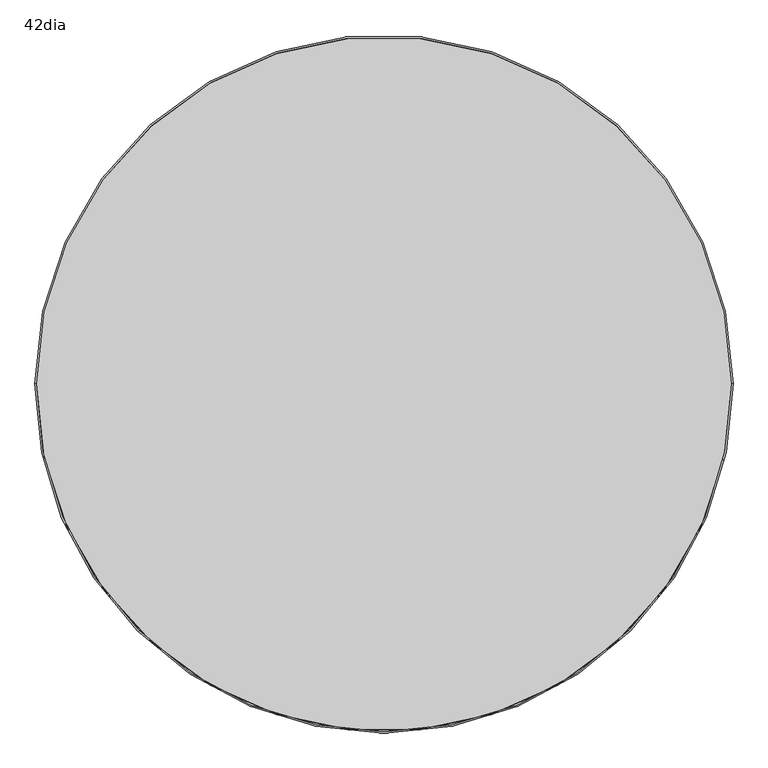
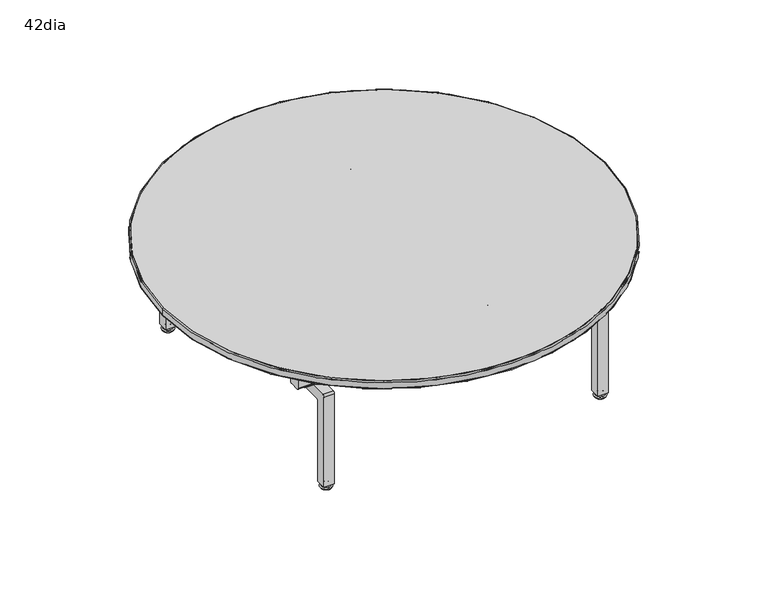
"""IFC4 building model written with IfcOpenShell, lengths in millimetres: furniture geometry, 42dia."""

from ifc_helpers import new_model, si_unit, point, frame, frame_2d, origin, place, context, project, spatial, polyline, circle_curve, ellipse_curve, trimmed, segment, composite_curve, outline, extrude, source, transform, mapped, element, save
from ifc_brep_helpers import plane_surface, cylinder_surface, revolved_surface, advanced_brep


def furniture_42dia_0378746d(model_context):
    return source(origin(), model_context, "Body", "SolidModel", [
        advanced_brep(
        [(863.5994857, -863.5673643, 14.8752118), (863.5994857, -866.8790699, 14.8752118), (863.5994857, -860.2556587, 14.8752118), (863.5994857, -867.4660076, 13.858606), (863.5994857, -859.6687211, 13.858606), (863.5994857, -871.4979813, 11.2402116), (863.5994857, -855.6367474, 11.2402116), (863.5994857, -871.4979813, 8.74896), (863.5994857, -855.6367474, 8.74896), (863.5994857, -869.9163121, 8.74896), (863.5994857, -857.2184165, 8.74896), (863.5994857, -874.7759312, 5.9432577), (863.5994857, -852.3587975, 5.9432577), (863.5994857, -877.9665869, 3.5556814), (863.5994857, -849.1681417, 3.5556814), (863.5994857, -875.9136957, 0.0), (863.5994857, -851.221033, 0.0), (863.5994857, -863.5673643, 0.0)],
        [
            (0, 1),
            (1, 2, circle_curve(frame((863.5994857, -863.5673643, 14.8752118), z_axis=(0.0, 0.0, 1.0), x_axis=(0.0, -1.0, 0.0)), 3.3117056)),
            (2, 0),
            (2, 1, circle_curve(frame((863.5994857, -863.5673643, 14.8752118), z_axis=(0.0, 0.0, 1.0), x_axis=(0.0, -1.0, 0.0)), 3.3117056)),
            (1, 3),
            (3, 4, circle_curve(frame((863.5994857, -863.5673643, 13.858606), z_axis=(0.0, 0.0, 1.0), x_axis=(0.0, -1.0, 0.0)), 3.8986433)),
            (4, 2),
            (4, 3, circle_curve(frame((863.5994857, -863.5673643, 13.858606), z_axis=(0.0, 0.0, 1.0), x_axis=(0.0, -1.0, 0.0)), 3.8986433)),
            (3, 5),
            (5, 6, circle_curve(frame((863.5994857, -863.5673643, 11.2402116), z_axis=(0.0, 0.0, 1.0), x_axis=(0.0, -1.0, 0.0)), 7.930617)),
            (6, 4),
            (6, 5, circle_curve(frame((863.5994857, -863.5673643, 11.2402116), z_axis=(0.0, 0.0, 1.0), x_axis=(0.0, -1.0, 0.0)), 7.930617)),
            (5, 7),
            (7, 8, circle_curve(frame((863.5994857, -863.5673643, 8.74896), z_axis=(0.0, 0.0, 1.0), x_axis=(0.0, -1.0, 0.0)), 7.930617)),
            (8, 6),
            (8, 7, circle_curve(frame((863.5994857, -863.5673643, 8.74896), z_axis=(0.0, 0.0, 1.0), x_axis=(0.0, -1.0, 0.0)), 7.930617)),
            (7, 9),
            (9, 10, circle_curve(frame((863.5994857, -863.5673643, 8.74896), z_axis=(0.0, 0.0, 1.0), x_axis=(0.0, -1.0, 0.0)), 6.3489478)),
            (10, 8),
            (10, 9, circle_curve(frame((863.5994857, -863.5673643, 8.74896), z_axis=(0.0, 0.0, 1.0), x_axis=(0.0, -1.0, 0.0)), 6.3489478)),
            (9, 11, circle_curve(frame((863.5994857, -874.4285571, 10.9529929), z_axis=(-1.0, 0.0, 0.0), x_axis=(0.0, -1.0, 0.0)), 5.0217642)),
            (11, 12, circle_curve(frame((863.5994857, -863.5673643, 5.9432577), z_axis=(0.0, 0.0, 1.0), x_axis=(0.0, -1.0, 0.0)), 11.2085669)),
            (12, 10, circle_curve(frame((863.5994857, -852.7061715, 10.9529929), z_axis=(-1.0, 0.0, 0.0), x_axis=(0.0, 1.0, 0.0)), 5.0217642)),
            (12, 11, circle_curve(frame((863.5994857, -863.5673643, 5.9432577), z_axis=(0.0, 0.0, 1.0), x_axis=(0.0, -1.0, 0.0)), 11.2085669)),
            (11, 13, circle_curve(frame((863.5994857, -874.9869794, 2.8995769), z_axis=(1.0, 0.0, 0.0), x_axis=(0.0, -1.0, 0.0)), 3.050989)),
            (13, 14, circle_curve(frame((863.5994857, -863.5673643, 3.5556814), z_axis=(0.0, 0.0, 1.0), x_axis=(0.0, -1.0, 0.0)), 14.3992226)),
            (14, 12, circle_curve(frame((863.5994857, -852.1477492, 2.8995769), z_axis=(1.0, 0.0, 0.0), x_axis=(0.0, 1.0, 0.0)), 3.050989)),
            (14, 13, circle_curve(frame((863.5994857, -863.5673643, 3.5556814), z_axis=(0.0, 0.0, 1.0), x_axis=(0.0, -1.0, 0.0)), 14.3992226)),
            (13, 15),
            (15, 16, circle_curve(frame((863.5994857, -863.5673643, 0.0), z_axis=(0.0, 0.0, 1.0), x_axis=(0.0, -1.0, 0.0)), 12.3463313)),
            (16, 14),
            (16, 15, circle_curve(frame((863.5994857, -863.5673643, 0.0), z_axis=(0.0, 0.0, 1.0), x_axis=(0.0, -1.0, 0.0)), 12.3463313)),
            (15, 17),
            (17, 16),
        ],
        [
            plane_surface(frame((863.5994857, -863.5673643, 14.8752118), z_axis=(0.0, 0.0, 1.0), x_axis=(0.0, -1.0, 0.0))),
            revolved_surface(polyline([(863.5994857, -867.4660076, 13.858606), (863.5994857, -866.8790699, 14.8752118)]), (863.5994857, -863.5673643, 0.0), (0.0, 0.0, 1.0)),
            revolved_surface(polyline([(863.5994857, -871.4979813, 11.2402116), (863.5994857, -867.4660076, 13.858606)]), (863.5994857, -863.5673643, 0.0), (0.0, 0.0, 1.0)),
            cylinder_surface(frame((863.5994857, -863.5673643, 0.0), z_axis=(0.0, 0.0, 1.0), x_axis=(0.0, -1.0, 0.0)), 7.930617),
            plane_surface(frame((863.5994857, -863.5673643, 8.74896), z_axis=(0.0, 0.0, -1.0), x_axis=(0.0, -1.0, 0.0))),
            revolved_surface(trimmed(ellipse_curve(frame((863.5994857, -874.4285571, 10.9529929), z_axis=(1.0, 0.0, 0.0), x_axis=(0.0, -1.0, 0.0)), 5.0217642, 5.0217642), [point((863.5994857, -874.7759312, 5.9432577))], [point((863.5994857, -869.9163121, 8.74896))], True, "CARTESIAN"), (863.5994857, -863.5673643, 0.0), (0.0, 0.0, 1.0)),
            revolved_surface(trimmed(ellipse_curve(frame((863.5994857, -874.9869794, 2.8995769), z_axis=(-1.0, 0.0, 0.0), x_axis=(0.0, -1.0, 0.0)), 3.050989, 3.050989), [point((863.5994857, -877.9665869, 3.5556814))], [point((863.5994857, -874.7759312, 5.9432577))], True, "CARTESIAN"), (863.5994857, -863.5673643, 0.0), (0.0, 0.0, 1.0)),
            revolved_surface(polyline([(863.5994857, -875.9136957, 0.0), (863.5994857, -877.9665869, 3.5556814)]), (863.5994857, -863.5673643, 0.0), (0.0, 0.0, 1.0)),
            plane_surface(frame((863.5994857, -863.5673643, 0.0), z_axis=(0.0, 0.0, -1.0), x_axis=(0.0, -1.0, 0.0))),
        ],
        [
            (0, [[1, 2, 3]]),
            (0, [[-3, 4, -1]]),
            (1, [[-2, 5, 6, 7]]),
            (1, [[-4, -7, 8, -5]]),
            (2, [[-6, 9, 10, 11]]),
            (2, [[-8, -11, 12, -9]]),
            (3, [[-10, 13, 14, 15]]),
            (3, [[-12, -15, 16, -13]]),
            (4, [[-14, 17, 18, 19]]),
            (4, [[-16, -19, 20, -17]]),
            (5, [[-18, 21, 22, 23]]),
            (5, [[-20, -23, 24, -21]]),
            (6, [[-22, 25, 26, 27]]),
            (6, [[-24, -27, 28, -25]]),
            (7, [[-26, 29, 30, 31]]),
            (7, [[-28, -31, 32, -29]]),
            (8, [[-30, 33, 34]]),
            (8, [[-32, -34, -33]]),
        ],
    ),
        advanced_brep(
        [(863.5994857, -206.5438035, 14.8752118), (863.5994857, -199.9203923, 14.8752118), (863.5994857, -203.2320979, 14.8752118), (863.5994857, -207.1307412, 13.858606), (863.5994857, -199.3334546, 13.858606), (863.5994857, -211.1627149, 11.2402116), (863.5994857, -195.301481, 11.2402116), (863.5994857, -211.1627149, 8.74896), (863.5994857, -195.301481, 8.74896), (863.5994857, -209.5810457, 8.74896), (863.5994857, -196.8831501, 8.74896), (863.5994857, -214.4406648, 5.9432577), (863.5994857, -192.023531, 5.9432577), (863.5994857, -217.6313205, 3.5556814), (863.5994857, -188.8328753, 3.5556814), (863.5994857, -215.5784293, 0.0), (863.5994857, -190.8857666, 0.0), (863.5994857, -203.2320979, 0.0)],
        [
            (0, 1, circle_curve(frame((863.5994857, -203.2320979, 14.8752118), z_axis=(0.0, 0.0, 1.0), x_axis=(0.0, 1.0, 0.0)), 3.3117056)),
            (1, 2),
            (2, 0),
            (1, 0, circle_curve(frame((863.5994857, -203.2320979, 14.8752118), z_axis=(0.0, 0.0, 1.0), x_axis=(0.0, 1.0, 0.0)), 3.3117056)),
            (3, 4, circle_curve(frame((863.5994857, -203.2320979, 13.858606), z_axis=(0.0, 0.0, 1.0), x_axis=(0.0, 1.0, 0.0)), 3.8986433)),
            (4, 1),
            (0, 3),
            (4, 3, circle_curve(frame((863.5994857, -203.2320979, 13.858606), z_axis=(0.0, 0.0, 1.0), x_axis=(0.0, 1.0, 0.0)), 3.8986433)),
            (5, 6, circle_curve(frame((863.5994857, -203.2320979, 11.2402116), z_axis=(0.0, 0.0, 1.0), x_axis=(0.0, 1.0, 0.0)), 7.930617)),
            (6, 4),
            (3, 5),
            (6, 5, circle_curve(frame((863.5994857, -203.2320979, 11.2402116), z_axis=(0.0, 0.0, 1.0), x_axis=(0.0, 1.0, 0.0)), 7.930617)),
            (7, 8, circle_curve(frame((863.5994857, -203.2320979, 8.74896), z_axis=(0.0, 0.0, 1.0), x_axis=(0.0, 1.0, 0.0)), 7.930617)),
            (8, 6),
            (5, 7),
            (8, 7, circle_curve(frame((863.5994857, -203.2320979, 8.74896), z_axis=(0.0, 0.0, 1.0), x_axis=(0.0, 1.0, 0.0)), 7.930617)),
            (9, 10, circle_curve(frame((863.5994857, -203.2320979, 8.74896), z_axis=(0.0, 0.0, 1.0), x_axis=(0.0, 1.0, 0.0)), 6.3489478)),
            (10, 8),
            (7, 9),
            (10, 9, circle_curve(frame((863.5994857, -203.2320979, 8.74896), z_axis=(0.0, 0.0, 1.0), x_axis=(0.0, 1.0, 0.0)), 6.3489478)),
            (11, 12, circle_curve(frame((863.5994857, -203.2320979, 5.9432577), z_axis=(0.0, 0.0, 1.0), x_axis=(0.0, 1.0, 0.0)), 11.2085669)),
            (12, 10, circle_curve(frame((863.5994857, -192.3709051, 10.9529929), z_axis=(-1.0, 0.0, 0.0), x_axis=(0.0, -1.0, 0.0)), 5.0217642)),
            (9, 11, circle_curve(frame((863.5994857, -214.0932907, 10.9529929), z_axis=(-1.0, 0.0, 0.0), x_axis=(0.0, 1.0, 0.0)), 5.0217642)),
            (12, 11, circle_curve(frame((863.5994857, -203.2320979, 5.9432577), z_axis=(0.0, 0.0, 1.0), x_axis=(0.0, 1.0, 0.0)), 11.2085669)),
            (13, 14, circle_curve(frame((863.5994857, -203.2320979, 3.5556814), z_axis=(0.0, 0.0, 1.0), x_axis=(0.0, 1.0, 0.0)), 14.3992226)),
            (14, 12, circle_curve(frame((863.5994857, -191.8124828, 2.8995769), z_axis=(1.0, 0.0, 0.0), x_axis=(0.0, -1.0, 0.0)), 3.050989)),
            (11, 13, circle_curve(frame((863.5994857, -214.651713, 2.8995769), z_axis=(1.0, 0.0, 0.0), x_axis=(0.0, 1.0, 0.0)), 3.050989)),
            (14, 13, circle_curve(frame((863.5994857, -203.2320979, 3.5556814), z_axis=(0.0, 0.0, 1.0), x_axis=(0.0, 1.0, 0.0)), 14.3992226)),
            (15, 16, circle_curve(frame((863.5994857, -203.2320979, 0.0), z_axis=(0.0, 0.0, 1.0), x_axis=(0.0, 1.0, 0.0)), 12.3463313)),
            (16, 14),
            (13, 15),
            (16, 15, circle_curve(frame((863.5994857, -203.2320979, 0.0), z_axis=(0.0, 0.0, 1.0), x_axis=(0.0, 1.0, 0.0)), 12.3463313)),
            (17, 16),
            (15, 17),
        ],
        [
            plane_surface(frame((863.5994857, -203.2320979, 14.8752118), z_axis=(0.0, 0.0, 1.0), x_axis=(0.0, 1.0, 0.0))),
            revolved_surface(polyline([(863.5994857, -199.9203923, 14.8752118), (863.5994857, -199.3334546, 13.858606)]), (863.5994857, -203.2320979, 0.0), (0.0, 0.0, -1.0)),
            revolved_surface(polyline([(863.5994857, -199.3334546, 13.858606), (863.5994857, -195.301481, 11.2402116)]), (863.5994857, -203.2320979, 0.0), (0.0, 0.0, -1.0)),
            cylinder_surface(frame((863.5994857, -203.2320979, 0.0), z_axis=(0.0, 0.0, -1.0), x_axis=(0.0, 1.0, 0.0)), 7.930617),
            plane_surface(frame((863.5994857, -203.2320979, 8.74896), z_axis=(0.0, 0.0, -1.0), x_axis=(0.0, 1.0, 0.0))),
            revolved_surface(trimmed(ellipse_curve(frame((863.5994857, -192.3709051, 10.9529929), z_axis=(1.0, 0.0, 0.0), x_axis=(0.0, -1.0, 0.0)), 5.0217642, 5.0217642), [point((863.5994857, -196.8831501, 8.74896))], [point((863.5994857, -192.023531, 5.9432577))], True, "CARTESIAN"), (863.5994857, -203.2320979, 0.0), (0.0, 0.0, -1.0)),
            revolved_surface(trimmed(ellipse_curve(frame((863.5994857, -191.8124828, 2.8995769), z_axis=(-1.0, 0.0, 0.0), x_axis=(0.0, -1.0, 0.0)), 3.050989, 3.050989), [point((863.5994857, -192.023531, 5.9432577))], [point((863.5994857, -188.8328753, 3.5556814))], True, "CARTESIAN"), (863.5994857, -203.2320979, 0.0), (0.0, 0.0, -1.0)),
            revolved_surface(polyline([(863.5994857, -188.8328753, 3.5556814), (863.5994857, -190.8857666, 0.0)]), (863.5994857, -203.2320979, 0.0), (0.0, 0.0, -1.0)),
            plane_surface(frame((863.5994857, -203.2320979, 0.0), z_axis=(0.0, 0.0, -1.0), x_axis=(0.0, 1.0, 0.0))),
        ],
        [
            (0, [[1, 2, 3]]),
            (0, [[4, -3, -2]]),
            (1, [[5, 6, -1, 7]]),
            (1, [[8, -7, -4, -6]]),
            (2, [[9, 10, -5, 11]]),
            (2, [[12, -11, -8, -10]]),
            (3, [[13, 14, -9, 15]]),
            (3, [[16, -15, -12, -14]]),
            (4, [[17, 18, -13, 19]]),
            (4, [[20, -19, -16, -18]]),
            (5, [[21, 22, -17, 23]]),
            (5, [[24, -23, -20, -22]]),
            (6, [[25, 26, -21, 27]]),
            (6, [[28, -27, -24, -26]]),
            (7, [[29, 30, -25, 31]]),
            (7, [[32, -31, -28, -30]]),
            (8, [[33, -29, 34]]),
            (8, [[-34, -32, -33]]),
        ],
    ),
        advanced_brep(
        [(203.2, -206.5438035, 14.8752118), (203.2, -199.9203923, 14.8752118), (203.2, -203.2320979, 14.8752118), (203.2, -207.1307412, 13.858606), (203.2, -199.3334546, 13.858606), (203.2, -211.1627149, 11.2402116), (203.2, -195.301481, 11.2402116), (203.2, -211.1627149, 8.74896), (203.2, -195.301481, 8.74896), (203.2, -209.5810457, 8.74896), (203.2, -196.8831501, 8.74896), (203.2, -214.4406648, 5.9432577), (203.2, -192.023531, 5.9432577), (203.2, -217.6313205, 3.5556814), (203.2, -188.8328753, 3.5556814), (203.2, -215.5784293, 0.0), (203.2, -190.8857666, 0.0), (203.2, -203.2320979, 0.0)],
        [
            (0, 1, circle_curve(frame((203.2, -203.2320979, 14.8752118), z_axis=(0.0, 0.0, 1.0), x_axis=(0.0, 1.0, 0.0)), 3.3117056)),
            (1, 2),
            (2, 0),
            (1, 0, circle_curve(frame((203.2, -203.2320979, 14.8752118), z_axis=(0.0, 0.0, 1.0), x_axis=(0.0, 1.0, 0.0)), 3.3117056)),
            (3, 4, circle_curve(frame((203.2, -203.2320979, 13.858606), z_axis=(0.0, 0.0, 1.0), x_axis=(0.0, 1.0, 0.0)), 3.8986433)),
            (4, 1),
            (0, 3),
            (4, 3, circle_curve(frame((203.2, -203.2320979, 13.858606), z_axis=(0.0, 0.0, 1.0), x_axis=(0.0, 1.0, 0.0)), 3.8986433)),
            (5, 6, circle_curve(frame((203.2, -203.2320979, 11.2402116), z_axis=(0.0, 0.0, 1.0), x_axis=(0.0, 1.0, 0.0)), 7.930617)),
            (6, 4),
            (3, 5),
            (6, 5, circle_curve(frame((203.2, -203.2320979, 11.2402116), z_axis=(0.0, 0.0, 1.0), x_axis=(0.0, 1.0, 0.0)), 7.930617)),
            (7, 8, circle_curve(frame((203.2, -203.2320979, 8.74896), z_axis=(0.0, 0.0, 1.0), x_axis=(0.0, 1.0, 0.0)), 7.930617)),
            (8, 6),
            (5, 7),
            (8, 7, circle_curve(frame((203.2, -203.2320979, 8.74896), z_axis=(0.0, 0.0, 1.0), x_axis=(0.0, 1.0, 0.0)), 7.930617)),
            (9, 10, circle_curve(frame((203.2, -203.2320979, 8.74896), z_axis=(0.0, 0.0, 1.0), x_axis=(0.0, 1.0, 0.0)), 6.3489478)),
            (10, 8),
            (7, 9),
            (10, 9, circle_curve(frame((203.2, -203.2320979, 8.74896), z_axis=(0.0, 0.0, 1.0), x_axis=(0.0, 1.0, 0.0)), 6.3489478)),
            (11, 12, circle_curve(frame((203.2, -203.2320979, 5.9432577), z_axis=(0.0, 0.0, 1.0), x_axis=(0.0, 1.0, 0.0)), 11.2085669)),
            (12, 10, circle_curve(frame((203.2, -192.3709051, 10.9529929), z_axis=(-1.0, 0.0, 0.0), x_axis=(0.0, 1.0, 0.0)), 5.0217642)),
            (9, 11, circle_curve(frame((203.2, -214.0932907, 10.9529929), z_axis=(-1.0, 0.0, 0.0), x_axis=(0.0, -1.0, 0.0)), 5.0217642)),
            (12, 11, circle_curve(frame((203.2, -203.2320979, 5.9432577), z_axis=(0.0, 0.0, 1.0), x_axis=(0.0, 1.0, 0.0)), 11.2085669)),
            (13, 14, circle_curve(frame((203.2, -203.2320979, 3.5556814), z_axis=(0.0, 0.0, 1.0), x_axis=(0.0, 1.0, 0.0)), 14.3992226)),
            (14, 12, circle_curve(frame((203.2, -191.8124828, 2.8995769), z_axis=(1.0, 0.0, 0.0), x_axis=(0.0, 1.0, 0.0)), 3.050989)),
            (11, 13, circle_curve(frame((203.2, -214.651713, 2.8995769), z_axis=(1.0, 0.0, 0.0), x_axis=(0.0, -1.0, 0.0)), 3.050989)),
            (14, 13, circle_curve(frame((203.2, -203.2320979, 3.5556814), z_axis=(0.0, 0.0, 1.0), x_axis=(0.0, 1.0, 0.0)), 14.3992226)),
            (15, 16, circle_curve(frame((203.2, -203.2320979, 0.0), z_axis=(0.0, 0.0, 1.0), x_axis=(0.0, 1.0, 0.0)), 12.3463313)),
            (16, 14),
            (13, 15),
            (16, 15, circle_curve(frame((203.2, -203.2320979, 0.0), z_axis=(0.0, 0.0, 1.0), x_axis=(0.0, 1.0, 0.0)), 12.3463313)),
            (17, 16),
            (15, 17),
        ],
        [
            plane_surface(frame((203.2, -203.2320979, 14.8752118), z_axis=(0.0, 0.0, 1.0), x_axis=(0.0, 1.0, 0.0))),
            revolved_surface(polyline([(203.2, -199.9203923, 14.8752118), (203.2, -199.3334546, 13.858606)]), (203.2, -203.2320979, 0.0), (0.0, 0.0, -1.0)),
            revolved_surface(polyline([(203.2, -199.3334546, 13.858606), (203.2, -195.301481, 11.2402116)]), (203.2, -203.2320979, 0.0), (0.0, 0.0, -1.0)),
            cylinder_surface(frame((203.2, -203.2320979, 0.0), z_axis=(0.0, 0.0, -1.0), x_axis=(0.0, 1.0, 0.0)), 7.930617),
            plane_surface(frame((203.2, -203.2320979, 8.74896), z_axis=(0.0, 0.0, -1.0), x_axis=(0.0, 1.0, 0.0))),
            revolved_surface(trimmed(ellipse_curve(frame((203.2, -192.3709051, 10.9529929), z_axis=(1.0, 0.0, 0.0), x_axis=(0.0, 1.0, 0.0)), 5.0217642, 5.0217642), [point((203.2, -196.8831501, 8.74896))], [point((203.2, -192.023531, 5.9432577))], True, "CARTESIAN"), (203.2, -203.2320979, 0.0), (0.0, 0.0, -1.0)),
            revolved_surface(trimmed(ellipse_curve(frame((203.2, -191.8124828, 2.8995769), z_axis=(-1.0, 0.0, 0.0), x_axis=(0.0, 1.0, 0.0)), 3.050989, 3.050989), [point((203.2, -192.023531, 5.9432577))], [point((203.2, -188.8328753, 3.5556814))], True, "CARTESIAN"), (203.2, -203.2320979, 0.0), (0.0, 0.0, -1.0)),
            revolved_surface(polyline([(203.2, -188.8328753, 3.5556814), (203.2, -190.8857666, 0.0)]), (203.2, -203.2320979, 0.0), (0.0, 0.0, -1.0)),
            plane_surface(frame((203.2, -203.2320979, 0.0), z_axis=(0.0, 0.0, -1.0), x_axis=(0.0, 1.0, 0.0))),
        ],
        [
            (0, [[1, 2, 3]]),
            (0, [[4, -3, -2]]),
            (1, [[5, 6, -1, 7]]),
            (1, [[8, -7, -4, -6]]),
            (2, [[9, 10, -5, 11]]),
            (2, [[12, -11, -8, -10]]),
            (3, [[13, 14, -9, 15]]),
            (3, [[16, -15, -12, -14]]),
            (4, [[17, 18, -13, 19]]),
            (4, [[20, -19, -16, -18]]),
            (5, [[21, 22, -17, 23]]),
            (5, [[24, -23, -20, -22]]),
            (6, [[25, 26, -21, 27]]),
            (6, [[28, -27, -24, -26]]),
            (7, [[29, 30, -25, 31]]),
            (7, [[32, -31, -28, -30]]),
            (8, [[33, -29, 34]]),
            (8, [[-34, -32, -33]]),
        ],
    ),
        extrude(outline(polyline([(169.8743003, -235.0033242), (236.4882907, -235.0033242), (236.4882907, -260.4033242), (169.8743003, -260.4033242), (169.8743003, -235.0033242)])), frame((0.0, 0.0, 244.2027917), z_axis=(0.0, 0.0, 1.0), x_axis=(1.0, 0.0, 0.0)), (0.0, 0.0, 1.0), 2.4272124),
        extrude(outline(polyline([(830.3538844, -235.0033242), (897.0644971, -235.0033242), (897.0644971, -260.4033242), (830.3538844, -260.4033242), (830.3538844, -235.0033242)])), frame((0.0, 0.0, 244.1741947), z_axis=(0.0, 0.0, 1.0), x_axis=(1.0, 0.0, 0.0)), (0.0, 0.0, 1.0), 2.4558094),
        extrude(outline(composite_curve([segment(polyline([(-876.228735, 10.9281489), (-876.228735, 239.2936032)]), True, "CONTINUOUS"), segment(trimmed(circle_curve(frame_2d((-871.3481435, 239.2936032)), 4.8805915), [point((-876.228735, 239.2936032))], [point((-871.3481435, 244.1741947))], False, "CARTESIAN"), True, "CONTINUOUS"), segment(polyline([(-871.3481435, 244.1741947), (-195.2528813, 244.1741947)]), True, "CONTINUOUS"), segment(trimmed(circle_curve(frame_2d((-195.2528813, 239.2936032)), 4.8805915), [point((-195.2528813, 244.1741947))], [point((-190.3722898, 239.2936032))], False, "CARTESIAN"), True, "CONTINUOUS"), segment(polyline([(-190.3722898, 239.2936032), (-190.3722898, 10.9281489), (-215.7722898, 10.9281489), (-215.7722898, 215.7082732)]), True, "CONTINUOUS"), segment(trimmed(circle_curve(frame_2d((-218.8382597, 215.7082732)), 3.06597), [point((-215.7722898, 215.7082732))], [point((-218.8382597, 218.7742432))], True, "CARTESIAN"), True, "CONTINUOUS"), segment(polyline([(-218.8382597, 218.7742432), (-847.762765, 218.7742432)]), True, "CONTINUOUS"), segment(trimmed(circle_curve(frame_2d((-847.762765, 215.7082732)), 3.06597), [point((-847.762765, 218.7742432))], [point((-850.828735, 215.7082732))], True, "CARTESIAN"), True, "CONTINUOUS"), segment(polyline([(-850.828735, 215.7082732), (-850.828735, 10.9281489), (-876.228735, 10.9281489)]), True, "CONTINUOUS")], self_intersect=False)), frame((850.8768916, 0.0, 0.0), z_axis=(1.0, 0.0, 0.0), x_axis=(0.0, 1.0, 0.0)), (0.0, 0.0, 1.0), 25.4004602),
        advanced_brep(
        [(203.2, -863.5673643, 14.8752118), (203.2, -866.8790699, 14.8752118), (203.2, -860.2556587, 14.8752118), (203.2, -867.4660076, 13.858606), (203.2, -859.6687211, 13.858606), (203.2, -871.4979813, 11.2402116), (203.2, -855.6367474, 11.2402116), (203.2, -871.4979813, 8.74896), (203.2, -855.6367474, 8.74896), (203.2, -869.9163121, 8.74896), (203.2, -857.2184165, 8.74896), (203.2, -874.7759312, 5.9432577), (203.2, -852.3587975, 5.9432577), (203.2, -877.9665869, 3.5556814), (203.2, -849.1681417, 3.5556814), (203.2, -875.9136957, 0.0), (203.2, -851.221033, 0.0), (203.2, -863.5673643, 0.0)],
        [
            (0, 1),
            (1, 2, circle_curve(frame((203.2, -863.5673643, 14.8752118), z_axis=(0.0, 0.0, 1.0), x_axis=(0.0, -1.0, 0.0)), 3.3117056)),
            (2, 0),
            (2, 1, circle_curve(frame((203.2, -863.5673643, 14.8752118), z_axis=(0.0, 0.0, 1.0), x_axis=(0.0, -1.0, 0.0)), 3.3117056)),
            (1, 3),
            (3, 4, circle_curve(frame((203.2, -863.5673643, 13.858606), z_axis=(0.0, 0.0, 1.0), x_axis=(0.0, -1.0, 0.0)), 3.8986433)),
            (4, 2),
            (4, 3, circle_curve(frame((203.2, -863.5673643, 13.858606), z_axis=(0.0, 0.0, 1.0), x_axis=(0.0, -1.0, 0.0)), 3.8986433)),
            (3, 5),
            (5, 6, circle_curve(frame((203.2, -863.5673643, 11.2402116), z_axis=(0.0, 0.0, 1.0), x_axis=(0.0, -1.0, 0.0)), 7.930617)),
            (6, 4),
            (6, 5, circle_curve(frame((203.2, -863.5673643, 11.2402116), z_axis=(0.0, 0.0, 1.0), x_axis=(0.0, -1.0, 0.0)), 7.930617)),
            (5, 7),
            (7, 8, circle_curve(frame((203.2, -863.5673643, 8.74896), z_axis=(0.0, 0.0, 1.0), x_axis=(0.0, -1.0, 0.0)), 7.930617)),
            (8, 6),
            (8, 7, circle_curve(frame((203.2, -863.5673643, 8.74896), z_axis=(0.0, 0.0, 1.0), x_axis=(0.0, -1.0, 0.0)), 7.930617)),
            (7, 9),
            (9, 10, circle_curve(frame((203.2, -863.5673643, 8.74896), z_axis=(0.0, 0.0, 1.0), x_axis=(0.0, -1.0, 0.0)), 6.3489478)),
            (10, 8),
            (10, 9, circle_curve(frame((203.2, -863.5673643, 8.74896), z_axis=(0.0, 0.0, 1.0), x_axis=(0.0, -1.0, 0.0)), 6.3489478)),
            (9, 11, circle_curve(frame((203.2, -874.4285571, 10.9529929), z_axis=(-1.0, 0.0, 0.0), x_axis=(0.0, -1.0, 0.0)), 5.0217642)),
            (11, 12, circle_curve(frame((203.2, -863.5673643, 5.9432577), z_axis=(0.0, 0.0, 1.0), x_axis=(0.0, -1.0, 0.0)), 11.2085669)),
            (12, 10, circle_curve(frame((203.2, -852.7061715, 10.9529929), z_axis=(-1.0, 0.0, 0.0), x_axis=(0.0, 1.0, 0.0)), 5.0217642)),
            (12, 11, circle_curve(frame((203.2, -863.5673643, 5.9432577), z_axis=(0.0, 0.0, 1.0), x_axis=(0.0, -1.0, 0.0)), 11.2085669)),
            (11, 13, circle_curve(frame((203.2, -874.9869794, 2.8995769), z_axis=(1.0, 0.0, 0.0), x_axis=(0.0, -1.0, 0.0)), 3.050989)),
            (13, 14, circle_curve(frame((203.2, -863.5673643, 3.5556814), z_axis=(0.0, 0.0, 1.0), x_axis=(0.0, -1.0, 0.0)), 14.3992226)),
            (14, 12, circle_curve(frame((203.2, -852.1477492, 2.8995769), z_axis=(1.0, 0.0, 0.0), x_axis=(0.0, 1.0, 0.0)), 3.050989)),
            (14, 13, circle_curve(frame((203.2, -863.5673643, 3.5556814), z_axis=(0.0, 0.0, 1.0), x_axis=(0.0, -1.0, 0.0)), 14.3992226)),
            (13, 15),
            (15, 16, circle_curve(frame((203.2, -863.5673643, 0.0), z_axis=(0.0, 0.0, 1.0), x_axis=(0.0, -1.0, 0.0)), 12.3463313)),
            (16, 14),
            (16, 15, circle_curve(frame((203.2, -863.5673643, 0.0), z_axis=(0.0, 0.0, 1.0), x_axis=(0.0, -1.0, 0.0)), 12.3463313)),
            (15, 17),
            (17, 16),
        ],
        [
            plane_surface(frame((203.2, -863.5673643, 14.8752118), z_axis=(0.0, 0.0, 1.0), x_axis=(0.0, -1.0, 0.0))),
            revolved_surface(polyline([(203.2, -867.4660076, 13.858606), (203.2, -866.8790699, 14.8752118)]), (203.2, -863.5673643, 0.0), (0.0, 0.0, 1.0)),
            revolved_surface(polyline([(203.2, -871.4979813, 11.2402116), (203.2, -867.4660076, 13.858606)]), (203.2, -863.5673643, 0.0), (0.0, 0.0, 1.0)),
            cylinder_surface(frame((203.2, -863.5673643, 0.0), z_axis=(0.0, 0.0, 1.0), x_axis=(0.0, -1.0, 0.0)), 7.930617),
            plane_surface(frame((203.2, -863.5673643, 8.74896), z_axis=(0.0, 0.0, -1.0), x_axis=(0.0, -1.0, 0.0))),
            revolved_surface(trimmed(ellipse_curve(frame((203.2, -874.4285571, 10.9529929), z_axis=(1.0, 0.0, 0.0), x_axis=(0.0, -1.0, 0.0)), 5.0217642, 5.0217642), [point((203.2, -874.7759312, 5.9432577))], [point((203.2, -869.9163121, 8.74896))], True, "CARTESIAN"), (203.2, -863.5673643, 0.0), (0.0, 0.0, 1.0)),
            revolved_surface(trimmed(ellipse_curve(frame((203.2, -874.9869794, 2.8995769), z_axis=(-1.0, 0.0, 0.0), x_axis=(0.0, -1.0, 0.0)), 3.050989, 3.050989), [point((203.2, -877.9665869, 3.5556814))], [point((203.2, -874.7759312, 5.9432577))], True, "CARTESIAN"), (203.2, -863.5673643, 0.0), (0.0, 0.0, 1.0)),
            revolved_surface(polyline([(203.2, -875.9136957, 0.0), (203.2, -877.9665869, 3.5556814)]), (203.2, -863.5673643, 0.0), (0.0, 0.0, 1.0)),
            plane_surface(frame((203.2, -863.5673643, 0.0), z_axis=(0.0, 0.0, -1.0), x_axis=(0.0, -1.0, 0.0))),
        ],
        [
            (0, [[1, 2, 3]]),
            (0, [[-3, 4, -1]]),
            (1, [[-2, 5, 6, 7]]),
            (1, [[-4, -7, 8, -5]]),
            (2, [[-6, 9, 10, 11]]),
            (2, [[-8, -11, 12, -9]]),
            (3, [[-10, 13, 14, 15]]),
            (3, [[-12, -15, 16, -13]]),
            (4, [[-14, 17, 18, 19]]),
            (4, [[-16, -19, 20, -17]]),
            (5, [[-18, 21, 22, 23]]),
            (5, [[-20, -23, 24, -21]]),
            (6, [[-22, 25, 26, 27]]),
            (6, [[-24, -27, 28, -25]]),
            (7, [[-26, 29, 30, 31]]),
            (7, [[-28, -31, 32, -29]]),
            (8, [[-30, 33, 34]]),
            (8, [[-32, -34, -33]]),
        ],
    ),
        extrude(outline(composite_curve([segment(polyline([(-216.7401331, 302.386969), (-230.9132005, 302.386969)]), True, "CONTINUOUS"), segment(trimmed(circle_curve(frame_2d((-230.9132005, 301.370969)), 1.016), [point((-230.9132005, 302.386969))], [point((-231.9292005, 301.370969))], True, "CARTESIAN"), True, "CONTINUOUS"), segment(polyline([(-231.9292005, 301.370969), (-231.9292005, 250.3541997)]), True, "CONTINUOUS"), segment(trimmed(circle_curve(frame_2d((-235.7717271, 250.3541997)), 3.8425266), [point((-231.9292005, 250.3541997))], [point((-235.7717271, 246.5116732))], False, "CARTESIAN"), True, "CONTINUOUS"), segment(polyline([(-235.7717271, 246.5116732), (-259.5708123, 246.5116732)]), True, "CONTINUOUS"), segment(trimmed(circle_curve(frame_2d((-259.5708123, 250.2091797)), 3.6975066), [point((-259.5708123, 246.5116732))], [point((-263.2683189, 250.2091797))], False, "CARTESIAN"), True, "CONTINUOUS"), segment(polyline([(-263.2683189, 250.2091797), (-263.2683189, 301.4587187)]), True, "CONTINUOUS"), segment(trimmed(circle_curve(frame_2d((-264.1965692, 301.4587187)), 0.9282503), [point((-263.2683189, 301.4587187))], [point((-264.1965692, 302.386969))], True, "CARTESIAN"), True, "CONTINUOUS"), segment(polyline([(-264.1965692, 302.386969), (-278.4092862, 302.386969), (-278.4092862, 304.2920853), (-216.7401331, 304.2920853), (-216.7401331, 302.386969)]), True, "CONTINUOUS")], self_intersect=False)), frame((152.3822685, 0.0, 0.0), z_axis=(1.0, 0.0, 0.0), x_axis=(0.0, 1.0, 0.0)), (0.0, 0.0, 1.0), 459.0239468),
        extrude(outline(composite_curve([segment(polyline([(-788.2541105, 302.5052999), (-802.4271779, 302.5052999)]), True, "CONTINUOUS"), segment(trimmed(circle_curve(frame_2d((-802.4271779, 301.4892999)), 1.016), [point((-802.4271779, 302.5052999))], [point((-803.4431779, 301.4892999))], True, "CARTESIAN"), True, "CONTINUOUS"), segment(polyline([(-803.4431779, 301.4892999), (-803.4431779, 250.4725307)]), True, "CONTINUOUS"), segment(trimmed(circle_curve(frame_2d((-807.2857045, 250.4725307)), 3.8425266), [point((-803.4431779, 250.4725307))], [point((-807.2857045, 246.6300041))], False, "CARTESIAN"), True, "CONTINUOUS"), segment(polyline([(-807.2857045, 246.6300041), (-831.0847897, 246.6300041)]), True, "CONTINUOUS"), segment(trimmed(circle_curve(frame_2d((-831.0847897, 250.3275107)), 3.6975066), [point((-831.0847897, 246.6300041))], [point((-834.7822963, 250.3275107))], False, "CARTESIAN"), True, "CONTINUOUS"), segment(polyline([(-834.7822963, 250.3275107), (-834.7822963, 301.5770497)]), True, "CONTINUOUS"), segment(trimmed(circle_curve(frame_2d((-835.7105466, 301.5770497)), 0.9282503), [point((-834.7822963, 301.5770497))], [point((-835.7105466, 302.5052999))], True, "CARTESIAN"), True, "CONTINUOUS"), segment(polyline([(-835.7105466, 302.5052999), (-849.9232636, 302.5052999), (-849.9232636, 304.4104162), (-788.2541105, 304.4104162), (-788.2541105, 302.5052999)]), True, "CONTINUOUS")], self_intersect=False)), frame((152.3822685, 0.0, 0.0), z_axis=(1.0, 0.0, 0.0), x_axis=(0.0, 1.0, 0.0)), (0.0, 0.0, 1.0), 459.0239468),
        extrude(outline(polyline([(236.4882907, -831.8504931), (169.8743003, -831.8504931), (169.8743003, -806.4504931), (236.4882907, -806.4504931), (236.4882907, -831.8504931)])), frame((0.0, 0.0, 244.2027917), z_axis=(0.0, 0.0, 1.0), x_axis=(1.0, 0.0, 0.0)), (0.0, 0.0, 1.0), 2.4272124),
        extrude(outline(polyline([(897.0644971, -831.8504931), (830.3538844, -831.8504931), (830.3538844, -806.4504931), (897.0644971, -806.4504931), (897.0644971, -831.8504931)])), frame((0.0, 0.0, 244.1741947), z_axis=(0.0, 0.0, 1.0), x_axis=(1.0, 0.0, 0.0)), (0.0, 0.0, 1.0), 2.4558094),
        extrude(outline(composite_curve([segment(polyline([(-876.228735, 10.9281489), (-876.228735, 239.2936032)]), True, "CONTINUOUS"), segment(trimmed(circle_curve(frame_2d((-871.3481435, 239.2936032)), 4.8805915), [point((-876.228735, 239.2936032))], [point((-871.3481435, 244.1741947))], False, "CARTESIAN"), True, "CONTINUOUS"), segment(polyline([(-871.3481435, 244.1741947), (-195.2528813, 244.1741947)]), True, "CONTINUOUS"), segment(trimmed(circle_curve(frame_2d((-195.2528813, 239.2936032)), 4.8805915), [point((-195.2528813, 244.1741947))], [point((-190.3722898, 239.2936032))], False, "CARTESIAN"), True, "CONTINUOUS"), segment(polyline([(-190.3722898, 239.2936032), (-190.3722898, 10.9281489), (-215.7722898, 10.9281489), (-215.7722898, 215.7082732)]), True, "CONTINUOUS"), segment(trimmed(circle_curve(frame_2d((-218.8382597, 215.7082732)), 3.06597), [point((-215.7722898, 215.7082732))], [point((-218.8382597, 218.7742432))], True, "CARTESIAN"), True, "CONTINUOUS"), segment(polyline([(-218.8382597, 218.7742432), (-847.762765, 218.7742432)]), True, "CONTINUOUS"), segment(trimmed(circle_curve(frame_2d((-847.762765, 215.7082732)), 3.06597), [point((-847.762765, 218.7742432))], [point((-850.828735, 215.7082732))], True, "CARTESIAN"), True, "CONTINUOUS"), segment(polyline([(-850.828735, 215.7082732), (-850.828735, 10.9281489), (-876.228735, 10.9281489)]), True, "CONTINUOUS")], self_intersect=False)), frame((190.477406, 0.0, 0.0), z_axis=(1.0, 0.0, 0.0), x_axis=(0.0, 1.0, 0.0)), (0.0, 0.0, 1.0), 25.4004602),
        advanced_brep(
        [(1066.7628899, -533.4, 307.380172), (0.0007994, -533.4, 307.380172), (2.1007439, -533.4, 304.4104162), (1064.6629454, -533.4, 304.4104162), (1066.7628899, -533.4, 321.9106319), (0.0007994, -533.4, 321.9106319), (1064.6629696, -533.4, 324.8804119), (2.1007196, -533.4, 324.8804119), (1063.7637028, -533.4, 304.4104162), (2.9999865, -533.4, 304.4104162), (2.9999865, -533.4, 324.8804119), (1063.7637028, -533.4, 324.8804119)],
        [
            (0, 1, circle_curve(frame((533.3818446, -533.4, 307.380172), z_axis=(0.0, 0.0, -1.0), x_axis=(-1.0, 0.0, 0.0)), 533.3810452)),
            (1, 2, circle_curve(frame((3.150696, -533.4, 307.380172), z_axis=(0.0, -1.0, 0.0), x_axis=(1.0, 0.0, 0.0)), 3.1498966)),
            (2, 3, circle_curve(frame((533.3818446, -533.4, 304.4104162), z_axis=(0.0, 0.0, 1.0), x_axis=(-1.0, 0.0, 0.0)), 531.2811008)),
            (3, 0, circle_curve(frame((1063.6129933, -533.4, 307.380172), z_axis=(0.0, -1.0, 0.0), x_axis=(-1.0, 0.0, 0.0)), 3.1498966)),
            (4, 5, circle_curve(frame((533.3818446, -533.4, 321.9106319), z_axis=(0.0, 0.0, -1.0), x_axis=(-1.0, 0.0, 0.0)), 533.3810452)),
            (5, 1),
            (0, 4),
            (6, 7, circle_curve(frame((533.3818446, -533.4, 324.8804119), z_axis=(0.0, 0.0, -1.0), x_axis=(-1.0, 0.0, 0.0)), 531.281125)),
            (7, 5, circle_curve(frame((3.1507423, -533.4, 321.9106319), z_axis=(0.0, -1.0, 0.0), x_axis=(1.0, 0.0, 0.0)), 3.149943)),
            (4, 6, circle_curve(frame((1063.6129469, -533.4, 321.9106319), z_axis=(0.0, -1.0, 0.0), x_axis=(-1.0, 0.0, 0.0)), 3.149943)),
            (8, 9, circle_curve(frame((533.3818446, -533.4, 304.4104162), z_axis=(0.0, 0.0, -1.0), x_axis=(-1.0, 0.0, 0.0)), 530.3818582)),
            (9, 10),
            (10, 11, circle_curve(frame((533.3818446, -533.4, 324.8804119), z_axis=(0.0, 0.0, 1.0), x_axis=(-1.0, 0.0, 0.0)), 530.3818582)),
            (11, 8),
            (2, 3, circle_curve(frame((533.3818446, -533.4, 304.4104162), z_axis=(0.0, 0.0, -1.0), x_axis=(1.0, 0.0, 0.0)), 531.2811008)),
            (8, 9, circle_curve(frame((533.3818446, -533.4, 304.4104162), z_axis=(0.0, 0.0, 1.0), x_axis=(1.0, 0.0, 0.0)), 530.3818582)),
            (1, 0, circle_curve(frame((533.3818446, -533.4, 307.380172), z_axis=(0.0, 0.0, -1.0), x_axis=(1.0, 0.0, 0.0)), 533.3810452)),
            (5, 4, circle_curve(frame((533.3818446, -533.4, 321.9106319), z_axis=(0.0, 0.0, -1.0), x_axis=(1.0, 0.0, 0.0)), 533.3810452)),
            (7, 6, circle_curve(frame((533.3818446, -533.4, 324.8804119), z_axis=(0.0, 0.0, -1.0), x_axis=(1.0, 0.0, 0.0)), 531.281125)),
            (10, 11, circle_curve(frame((533.3818446, -533.4, 324.8804119), z_axis=(0.0, 0.0, -1.0), x_axis=(1.0, 0.0, 0.0)), 530.3818582)),
        ],
        [
            revolved_surface(trimmed(ellipse_curve(frame((3.150696, -533.4, 307.380172), z_axis=(0.0, 1.0, 0.0), x_axis=(1.0, 0.0, 0.0)), 3.1498966, 3.1498966), [point((2.1007439, -533.4, 304.4104162))], [point((0.0007994, -533.4, 307.380172))], True, "CARTESIAN"), (533.3818446, -533.4, 0.0), (0.0, 0.0, 1.0)),
            cylinder_surface(frame((533.3818446, -533.4, 0.0), z_axis=(0.0, 0.0, 1.0), x_axis=(-1.0, 0.0, 0.0)), 533.3810452),
            revolved_surface(trimmed(ellipse_curve(frame((3.1507423, -533.4, 321.9106319), z_axis=(0.0, 1.0, 0.0), x_axis=(1.0, 0.0, 0.0)), 3.149943, 3.149943), [point((0.0007994, -533.4, 321.9106319))], [point((2.1007196, -533.4, 324.8804119))], True, "CARTESIAN"), (533.3818446, -533.4, 0.0), (0.0, 0.0, 1.0)),
            revolved_surface(polyline([(2.9999864000000116, -533.4, 324.8804119), (2.9999864000000116, -533.4, 304.4104162)]), (533.3818446, -533.4, 0.0), (0.0, 0.0, 1.0)),
            plane_surface(frame((533.3818446, -533.4, 304.4104162), z_axis=(0.0, 0.0, -1.0), x_axis=(1.0, 0.0, 0.0))),
            revolved_surface(trimmed(ellipse_curve(frame((1063.6129933, -533.4, 307.380172), z_axis=(0.0, -1.0, 0.0), x_axis=(-1.0, 0.0, 0.0)), 3.1498966, 3.1498966), [point((1064.6629454, -533.4, 304.4104162))], [point((1066.7628899, -533.4, 307.380172))], True, "CARTESIAN"), (533.3818446, -533.4, 0.0), (0.0, 0.0, 1.0)),
            cylinder_surface(frame((533.3818446, -533.4, 0.0), z_axis=(0.0, 0.0, 1.0), x_axis=(1.0, 0.0, 0.0)), 533.3810452),
            revolved_surface(trimmed(ellipse_curve(frame((1063.6129469, -533.4, 321.9106319), z_axis=(0.0, -1.0, 0.0), x_axis=(-1.0, 0.0, 0.0)), 3.149943, 3.149943), [point((1066.7628899, -533.4, 321.9106319))], [point((1064.6629696, -533.4, 324.8804119))], True, "CARTESIAN"), (533.3818446, -533.4, 0.0), (0.0, 0.0, 1.0)),
            plane_surface(frame((533.3818446, -533.4, 324.8804119), z_axis=(0.0, 0.0, 1.0), x_axis=(1.0, 0.0, 0.0))),
            revolved_surface(polyline([(1063.7637028, -533.4, 324.8804119), (1063.7637028, -533.4, 304.4104162)]), (533.3818446, -533.4, 0.0), (0.0, 0.0, 1.0)),
        ],
        [
            (0, [[1, 2, 3, 4]]),
            (1, [[5, 6, -1, 7]]),
            (2, [[8, 9, -5, 10]]),
            (3, [[11, 12, 13, 14]]),
            (4, [[15, -3], [16, -11]]),
            (5, [[17, -4, -15, -2]]),
            (6, [[18, -7, -17, -6]]),
            (7, [[19, -10, -18, -9]]),
            (8, [[-19, -8], [20, -13]]),
            (9, [[-16, -14, -20, -12]]),
        ],
    ),
        extrude(outline(composite_curve([segment(trimmed(circle_curve(frame_2d((533.3818446, -533.4)), 530.3818582), [point((2.9999865, -533.4))], [point((1063.7637028, -533.4))], False, "CARTESIAN"), True, "CONTINUOUS"), segment(trimmed(circle_curve(frame_2d((533.3818446, -533.4)), 530.3818582), [point((1063.7637028, -533.4))], [point((2.9999865, -533.4))], False, "CARTESIAN"), True, "CONTINUOUS")], self_intersect=False)), frame((0.0, 0.0, 304.4104162), z_axis=(0.0, 0.0, 1.0), x_axis=(1.0, 0.0, 0.0)), (0.0, 0.0, 1.0), 20.4699957),
    ])


if __name__ == "__main__":
    model = new_model("IFC4")
    model_context = context("Model", 3, world=origin())
    ifc_project = project(units=[si_unit("LENGTHUNIT", "METRE", prefix="MILLI")], contexts=[model_context])
    site = spatial("IfcSite", under=ifc_project)
    building = spatial("IfcBuilding", under=site)
    placement = place(None, origin())
    furniture_42dia_shape = furniture_42dia_0378746d(model_context)
    element("IfcFurniture", 1, ObjectType="42dia", at=placement, inside=building, context=model_context, shape_type="MappedRepresentation", body=[
        mapped(furniture_42dia_shape, transform((0.0, 0.0, 0.0), x_axis=(1.0, 0.0, 0.0), y_axis=(0.0, 1.0, 0.0), z_axis=(0.0, 0.0, 1.0))),
    ])
    save(model, "model.ifc")
